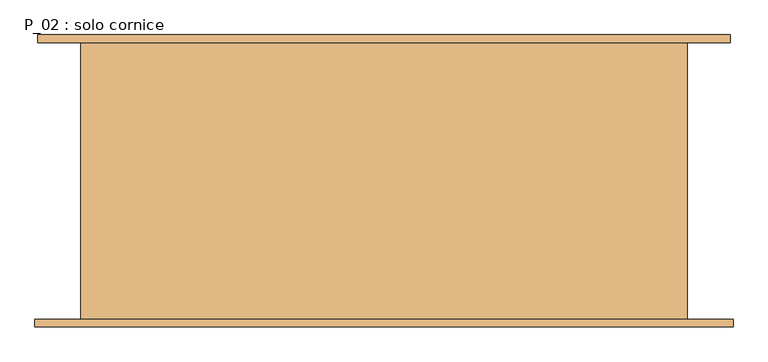
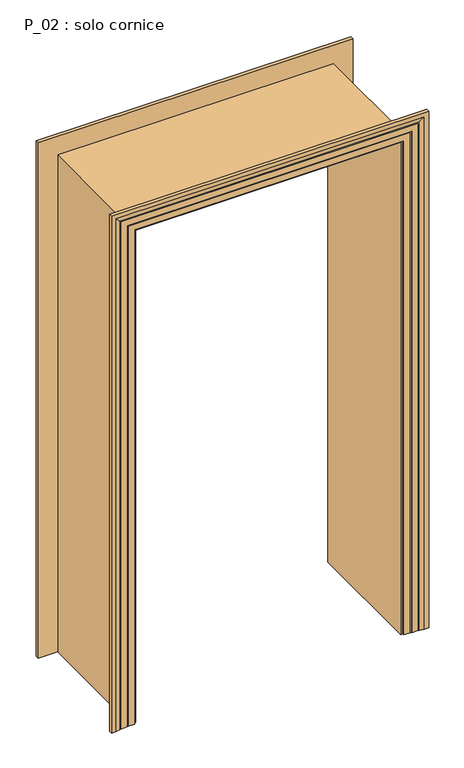
"""IFC4 building model written with IfcOpenShell, lengths in millimetres: door geometry, P_02 : solo cornice."""

from ifc_helpers import new_model, si_unit, origin, place, context, project, spatial, faceted_brep, source, transform, mapped, element, save


def p_02_solo_cornice_458df2f9(model_context):
    return source(origin(), model_context, "Body", "Brep", [
        faceted_brep([(725.0, 290.0, 0.0), (635.0, 290.0, 0.0), (635.0, -290.0, 0.0), (731.0, -290.0, 0.0), (731.0, -306.0, 0.0), (711.0, -306.0, 0.0), (691.0, -302.0291126, 0.0), (691.0, -301.0291126, 0.0), (686.0, -301.0291126, 0.0), (686.0, -300.0291126, 0.0), (656.0, -300.0291126, 0.0), (656.0, -299.0291126, 0.0), (651.0, -299.0291126, 0.0), (651.0, -298.0291126, 0.0), (621.0, -298.0291126, 0.0), (621.0, -290.0, 0.0), (611.0, -290.0, 0.0), (611.0, 290.0, 0.0), (621.0, 290.0, 0.0), (621.0, 298.0291126, 0.0), (651.0, 298.0291126, 0.0), (651.0, 299.0291126, 0.0), (656.0, 299.0291126, 0.0), (656.0, 300.0291126, 0.0), (680.0, 300.0291126, 0.0), (680.0, 301.0291126, 0.0), (685.0, 301.0291126, 0.0), (685.0, 302.0291126, 0.0), (705.0, 306.0, 0.0), (725.0, 306.0, 0.0), (725.0, 290.0, 2510.0), (-725.0, 290.0, 2510.0), (-725.0, 290.0, 0.0), (-635.0, 290.0, 0.0), (-635.0, 290.0, 2420.0), (635.0, 290.0, 2420.0), (635.0, -290.0, 2420.0), (-635.0, -290.0, 2420.0), (-635.0, -290.0, 0.0), (-731.0, -290.0, 0.0), (-731.0, -290.0, 2516.0), (731.0, -290.0, 2516.0), (731.0, -306.0, 2516.0), (-731.0, -306.0, 2516.0), (-731.0, -306.0, 0.0), (-711.0, -306.0, 0.0), (-711.0, -306.0, 2496.0), (711.0, -306.0, 2496.0), (691.0, -302.0291126, 2476.0), (691.0, -301.0291126, 2476.0), (-691.0, -301.0291126, 2476.0), (-691.0, -301.0291126, 0.0), (-686.0, -301.0291126, 0.0), (-686.0, -301.0291126, 2471.0), (686.0, -301.0291126, 2471.0), (686.0, -300.0291126, 2471.0), (-686.0, -300.0291126, 2471.0), (-686.0, -300.0291126, 0.0), (-656.0, -300.0291126, 0.0), (-656.0, -300.0291126, 2441.0), (656.0, -300.0291126, 2441.0), (656.0, -299.0291126, 2441.0), (-656.0, -299.0291126, 2441.0), (-656.0, -299.0291126, 0.0), (-651.0, -299.0291126, 0.0), (-651.0, -299.0291126, 2436.0), (651.0, -299.0291126, 2436.0), (651.0, -298.0291126, 2436.0), (-651.0, -298.0291126, 2436.0), (-651.0, -298.0291126, 0.0), (-621.0, -298.0291126, 0.0), (-621.0, -298.0291126, 2406.0), (621.0, -298.0291126, 2406.0), (621.0, -290.0, 2406.0), (-621.0, -290.0, 2406.0), (-621.0, -290.0, 0.0), (-611.0, -290.0, 0.0), (-611.0, -290.0, 2396.0), (611.0, -290.0, 2396.0), (611.0, 290.0, 2396.0), (-611.0, 290.0, 2396.0), (-611.0, 290.0, 0.0), (-621.0, 290.0, 0.0), (-621.0, 290.0, 2406.0), (621.0, 290.0, 2406.0), (621.0, 298.0291126, 2406.0), (-621.0, 298.0291126, 2406.0), (-621.0, 298.0291126, 0.0), (-651.0, 298.0291126, 0.0), (-651.0, 298.0291126, 2436.0), (651.0, 298.0291126, 2436.0), (651.0, 299.0291126, 2436.0), (-651.0, 299.0291126, 2436.0), (-651.0, 299.0291126, 0.0), (-656.0, 299.0291126, 0.0), (-656.0, 299.0291126, 2441.0), (656.0, 299.0291126, 2441.0), (656.0, 300.0291126, 2441.0), (-656.0, 300.0291126, 2441.0), (-656.0, 300.0291126, 0.0), (-680.0, 300.0291126, 0.0), (-680.0, 300.0291126, 2465.0), (680.0, 300.0291126, 2465.0), (680.0, 301.0291126, 2465.0), (-680.0, 301.0291126, 2465.0), (-680.0, 301.0291126, 0.0), (-685.0, 301.0291126, 0.0), (-685.0, 301.0291126, 2470.0), (685.0, 301.0291126, 2470.0), (685.0, 302.0291126, 2470.0), (705.0, 306.0, 2490.0), (-705.0, 306.0, 2490.0), (-705.0, 306.0, 0.0), (-725.0, 306.0, 0.0), (-725.0, 306.0, 2510.0), (725.0, 306.0, 2510.0), (-685.0, 302.0291126, 0.0), (-691.0, -302.0291126, 0.0), (-685.0, 302.0291126, 2470.0), (-691.0, -302.0291126, 2476.0)], [[[0, 1, 2, 3, 4, 5, 6, 7, 8, 9, 10, 11, 12, 13, 14, 15, 16, 17, 18, 19, 20, 21, 22, 23, 24, 25, 26, 27, 28, 29]], [[1, 0, 30, 31, 32, 33, 34, 35]], [[2, 1, 35, 36]], [[3, 2, 36, 37, 38, 39, 40, 41]], [[4, 3, 41, 42]], [[5, 4, 42, 43, 44, 45, 46, 47]], [[6, 5, 47, 48]], [[7, 6, 48, 49]], [[8, 7, 49, 50, 51, 52, 53, 54]], [[9, 8, 54, 55]], [[10, 9, 55, 56, 57, 58, 59, 60]], [[11, 10, 60, 61]], [[12, 11, 61, 62, 63, 64, 65, 66]], [[13, 12, 66, 67]], [[14, 13, 67, 68, 69, 70, 71, 72]], [[15, 14, 72, 73]], [[16, 15, 73, 74, 75, 76, 77, 78]], [[17, 16, 78, 79]], [[18, 17, 79, 80, 81, 82, 83, 84]], [[19, 18, 84, 85]], [[20, 19, 85, 86, 87, 88, 89, 90]], [[21, 20, 90, 91]], [[22, 21, 91, 92, 93, 94, 95, 96]], [[23, 22, 96, 97]], [[24, 23, 97, 98, 99, 100, 101, 102]], [[25, 24, 102, 103]], [[26, 25, 103, 104, 105, 106, 107, 108]], [[27, 26, 108, 109]], [[28, 27, 109, 110]], [[29, 28, 110, 111, 112, 113, 114, 115]], [[0, 29, 115, 30]], [[31, 114, 113, 32]], [[32, 113, 112, 116, 106, 105, 100, 99, 94, 93, 88, 87, 82, 81, 76, 75, 70, 69, 64, 63, 58, 57, 52, 51, 117, 45, 44, 39, 38, 33]], [[37, 34, 33, 38]], [[74, 71, 70, 75]], [[80, 77, 76, 81]], [[86, 83, 82, 87]], [[111, 118, 116, 112]], [[118, 107, 106, 116]], [[104, 101, 100, 105]], [[98, 95, 94, 99]], [[92, 89, 88, 93]], [[68, 65, 64, 69]], [[62, 59, 58, 63]], [[56, 53, 52, 57]], [[50, 119, 117, 51]], [[119, 46, 45, 117]], [[43, 40, 39, 44]], [[30, 115, 114, 31]], [[36, 35, 34, 37]], [[73, 72, 71, 74]], [[79, 78, 77, 80]], [[85, 84, 83, 86]], [[91, 90, 89, 92]], [[97, 96, 95, 98]], [[103, 102, 101, 104]], [[109, 108, 107, 118]], [[110, 109, 118, 111]], [[42, 41, 40, 43]], [[48, 47, 46, 119]], [[49, 48, 119, 50]], [[55, 54, 53, 56]], [[61, 60, 59, 62]], [[67, 66, 65, 68]]]),
    ])


if __name__ == "__main__":
    model = new_model("IFC4")
    model_context = context("Model", 3, world=origin())
    ifc_project = project(units=[si_unit("LENGTHUNIT", "METRE", prefix="MILLI")], contexts=[model_context])
    site = spatial("IfcSite", under=ifc_project)
    building = spatial("IfcBuilding", under=site)
    placement = place(None, origin())
    p_02_solo_cornice_shape = p_02_solo_cornice_458df2f9(model_context)
    element("IfcDoor", 1, ObjectType="P_02 : solo cornice", at=placement, inside=building, context=model_context, shape_type="MappedRepresentation", body=[
        mapped(p_02_solo_cornice_shape, transform((0.0, 0.0, 0.0), x_axis=(1.0, 0.0, 0.0), y_axis=(0.0, 1.0, 0.0), z_axis=(0.0, 0.0, 1.0))),
    ])
    save(model, "model.ifc")
